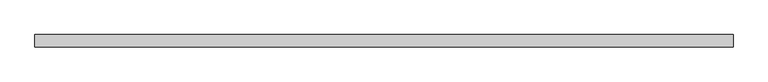
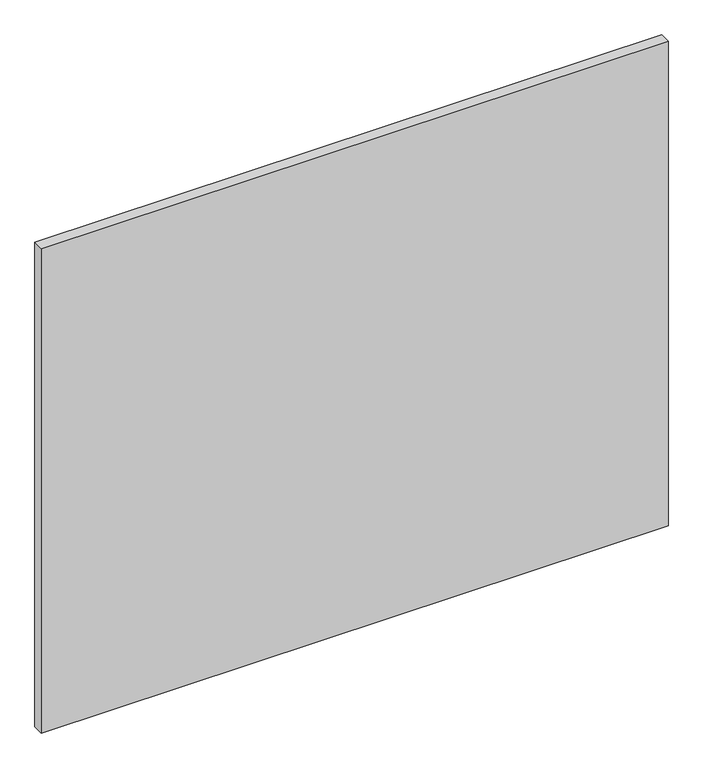
"""IFC4 building model written with IfcOpenShell, lengths in millimetres: proxy geometry."""

from ifc_helpers import new_model, si_unit, frame, origin, place, context, project, spatial, polyline, outline, extrude, source, transform, mapped, element, save


def specialty_equipment_ff981c05(model_context):
    return source(origin(), model_context, "Body", "SweptSolid", [
        extrude(outline(polyline([(546.1, 0.0), (546.1, -19.05), (-546.1, -19.05), (-546.1, 0.0), (546.1, 0.0)])), frame((0.0, 0.0, 3.175), z_axis=(0.0, 0.0, 1.0), x_axis=(1.0, 0.0, 0.0)), (0.0, 0.0, 1.0), 892.175),
    ])


if __name__ == "__main__":
    model = new_model("IFC4")
    model_context = context("Model", 3, world=origin())
    ifc_project = project(units=[si_unit("LENGTHUNIT", "METRE", prefix="MILLI")], contexts=[model_context])
    site = spatial("IfcSite", under=ifc_project)
    building = spatial("IfcBuilding", under=site)
    placement = place(None, origin())
    specialty_equipment_shape = specialty_equipment_ff981c05(model_context)
    element("IfcBuildingElementProxy", 1, Name="Specialty Equipment", at=placement, inside=building, context=model_context, shape_type="MappedRepresentation", body=[
        mapped(specialty_equipment_shape, transform((0.0, 0.0, 0.0), x_axis=(1.0, 0.0, 0.0), y_axis=(0.0, 1.0, 0.0), z_axis=(0.0, 0.0, 1.0))),
    ])
    save(model, "model.ifc")
